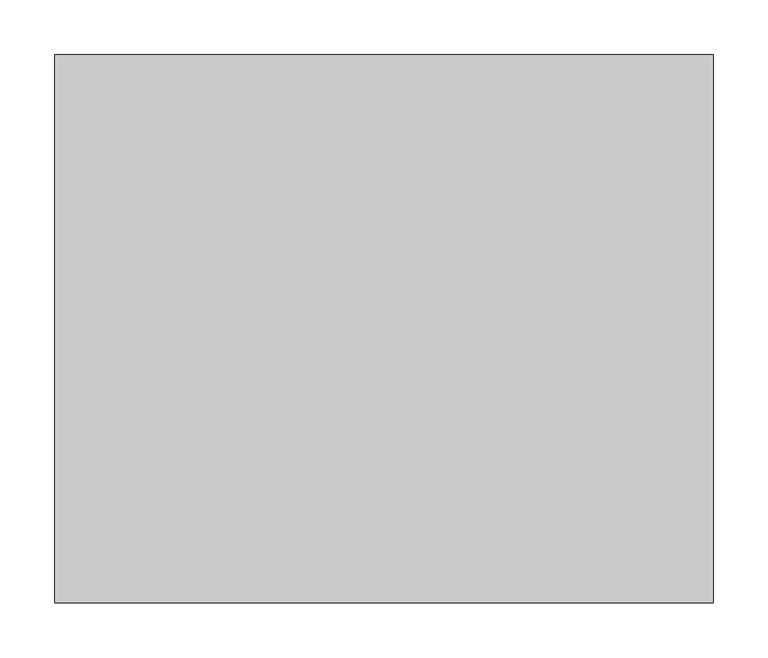
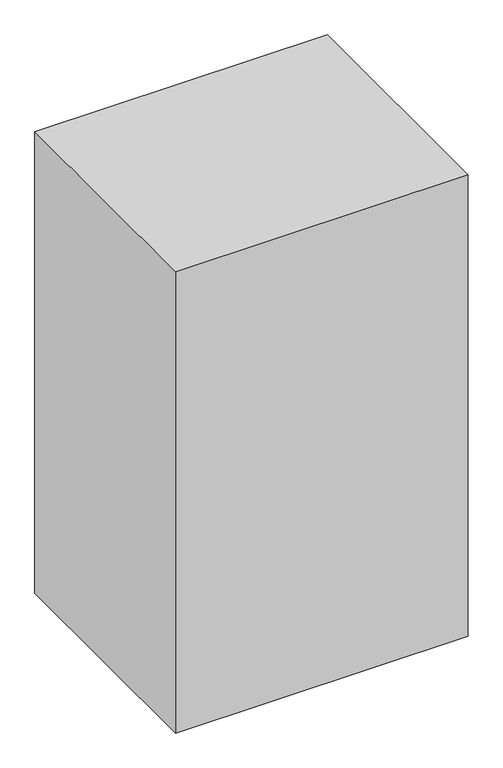
"""IFC4 building model written with IfcOpenShell, lengths in millimetres: proxy geometry."""

from ifc_helpers import new_model, si_unit, frame, origin, place, context, project, spatial, polyline, outline, extrude, source, transform, mapped, element, save


def generic_models_43b5e104(model_context):
    return source(origin(), model_context, "Body", "SweptSolid", [
        extrude(outline(polyline([(600.0, 500.0), (600.0, 0.0), (0.0, 0.0), (0.0, 500.0), (600.0, 500.0)])), frame((0.0, 0.0, 550.0), z_axis=(0.0, 0.0, 1.0), x_axis=(1.0, 0.0, 0.0)), (0.0, 0.0, 1.0), 1000.0),
    ])


if __name__ == "__main__":
    model = new_model("IFC4")
    model_context = context("Model", 3, world=origin())
    ifc_project = project(units=[si_unit("LENGTHUNIT", "METRE", prefix="MILLI")], contexts=[model_context])
    site = spatial("IfcSite", under=ifc_project)
    building = spatial("IfcBuilding", under=site)
    placement = place(None, origin())
    generic_models_shape = generic_models_43b5e104(model_context)
    element("IfcBuildingElementProxy", 1, Name="Generic Models", at=placement, inside=building, context=model_context, shape_type="MappedRepresentation", body=[
        mapped(generic_models_shape, transform((0.0, 0.0, 0.0), x_axis=(1.0, 0.0, 0.0), y_axis=(0.0, 1.0, 0.0), z_axis=(0.0, 0.0, 1.0))),
    ])
    save(model, "model.ifc")
